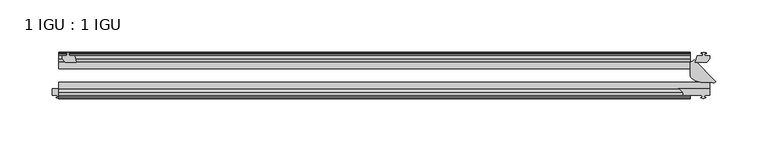
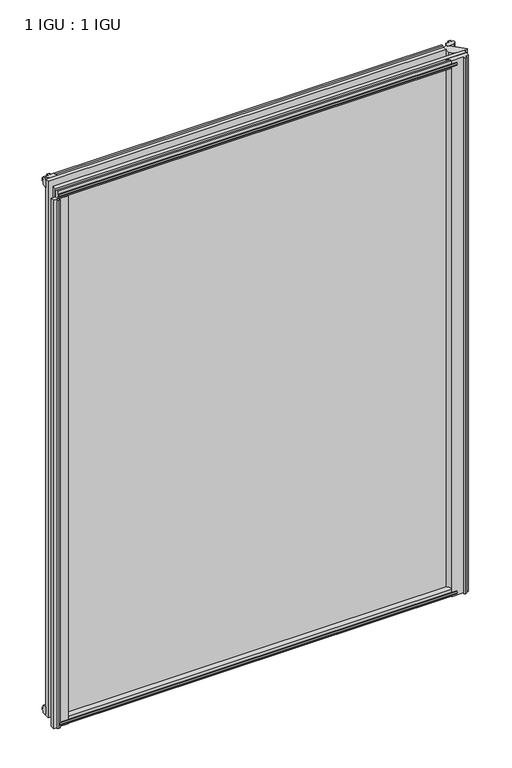
"""IFC4 building model written with IfcOpenShell, lengths in millimetres: plate geometry, 1 IGU : 1 IGU."""

import ifcopenshell
import ifcopenshell.guid

model = None  # the IFC model being written
_history = None  # IfcOwnerHistory: only IFC2X3 demands one
_inside = {}  # id of a spatial element -> (the spatial element, [elements in it])
_under = {}  # id of a project, library or spatial element -> (it, [spatial elements below it])
_declared = {}  # id of a project -> (the project, [libraries it declares])
_typed = {}  # id of a type object -> (the type object, [elements of that type])
_made_of = {}  # id of a material, layer set ... -> (it, [elements and type objects made of it])


def new_model(schema):
    """Start an empty IFC model of exactly this schema.

    Asked for "IFC4X3", IfcOpenShell would pick the latest addendum, in which some entities
    have other attributes; the version numbers below select the first issue.
    IFC2X3 requires an IfcOwnerHistory on every rooted entity: one is made here for all.
    """
    global model, _history
    if schema == "IFC4X3":
        model = ifcopenshell.file(schema_version=(4, 3, 0, 0))
    else:
        model = ifcopenshell.file(schema=schema)
    _inside.clear()
    _under.clear()
    _declared.clear()
    _typed.clear()
    _made_of.clear()
    _history = None
    if model.schema == "IFC2X3":
        org = make("IfcOrganization", Name="unknown")
        user = make(
            "IfcPersonAndOrganization",
            ThePerson=make("IfcPerson", FamilyName="unknown"),
            TheOrganization=org,
        )
        app = make(
            "IfcApplication",
            ApplicationDeveloper=org,
            Version="unknown",
            ApplicationFullName="unknown",
            ApplicationIdentifier="unknown",
        )
        _history = make(
            "IfcOwnerHistory",
            OwningUser=user,
            OwningApplication=app,
            ChangeAction="ADDED",
            CreationDate=0,
        )
    return model


def make(cls, **values):
    """One entity of the class cls with the attributes given. An attribute that is None is left unset."""
    return model.create_entity(
        cls, **{name: value for name, value in values.items() if value is not None}
    )


def rooted(cls, **values):
    """An entity with a GlobalId (a new one), such as an element, a storey or a relation."""
    return make(cls, GlobalId=ifcopenshell.guid.new(), OwnerHistory=_history, **values)


def si_unit(unit_type, name, prefix=None):
    """IfcSIUnit, for example si_unit("LENGTHUNIT", "METRE", prefix="MILLI")."""
    return make("IfcSIUnit", UnitType=unit_type, Prefix=prefix, Name=name)


def assignment(units):
    """IfcUnitAssignment: the units of a project."""
    return None if units is None else make("IfcUnitAssignment", Units=units)


def point(xyz):
    """IfcCartesianPoint."""
    return None if xyz is None else make("IfcCartesianPoint", Coordinates=xyz)


def direction(xyz):
    """IfcDirection."""
    return None if xyz is None else make("IfcDirection", DirectionRatios=xyz)


def frame(location, z_axis=None, x_axis=None):
    """IfcAxis2Placement3D, a coordinate frame: its origin and axes. An axis left out is left unset."""
    return make(
        "IfcAxis2Placement3D",
        Location=point(location),
        Axis=direction(z_axis),
        RefDirection=direction(x_axis),
    )


def frame_2d(location, x_axis=None):
    """IfcAxis2Placement2D, a coordinate frame in the plane: its origin and x axis."""
    return make(
        "IfcAxis2Placement2D", Location=point(location), RefDirection=direction(x_axis)
    )


def origin():
    """The frame at (0, 0, 0) with its axes left unset."""
    return frame((0.0, 0.0, 0.0))


def place(relative_to, where):
    """IfcLocalPlacement: puts the frame where relative to a parent placement (None: the world)."""
    return make(
        "IfcLocalPlacement", PlacementRelTo=relative_to, RelativePlacement=where
    )


def context(
    kind, dimensions, precision=None, world=None, true_north=None, identifier=None
):
    """IfcGeometricRepresentationContext, for example the 3D "Model" context."""
    return make(
        "IfcGeometricRepresentationContext",
        ContextIdentifier=identifier,
        ContextType=kind,
        CoordinateSpaceDimension=dimensions,
        Precision=precision,
        WorldCoordinateSystem=world,
        TrueNorth=true_north,
    )


def project(units=None, contexts=None):
    """IfcProject with its units and contexts."""
    return rooted(
        "IfcProject",
        Name="project",
        RepresentationContexts=contexts,
        UnitsInContext=assignment(units),
    )


def spatial(cls, under=None, at=None, **own):
    """A site, building, storey or space (cls), placed at a placement, below another one or the project."""
    s = rooted(cls, ObjectPlacement=at, **own)
    if under is not None:
        _under.setdefault(under.id(), (under, []))[1].append(s)
    return s


def polyline(points):
    """IfcPolyline through the points."""
    return make("IfcPolyline", Points=[point(p) for p in points])


def circle_curve(where, radius):
    """IfcCircle in the frame where."""
    return make("IfcCircle", Position=where, Radius=radius)


def trimmed(basis, trim1, trim2, sense, master):
    """IfcTrimmedCurve: the piece of a basis curve between two trims."""
    return make(
        "IfcTrimmedCurve",
        BasisCurve=basis,
        Trim1=trim1,
        Trim2=trim2,
        SenseAgreement=sense,
        MasterRepresentation=master,
    )


def segment(curve, same_sense, transition):
    """IfcCompositeCurveSegment."""
    return make(
        "IfcCompositeCurveSegment",
        Transition=transition,
        SameSense=same_sense,
        ParentCurve=curve,
    )


def composite_curve(segments, self_intersect=None):
    """IfcCompositeCurve: segments joined end to end."""
    return make("IfcCompositeCurve", Segments=segments, SelfIntersect=self_intersect)


def outline(outer, holes=None, kind="AREA"):
    """IfcArbitraryClosedProfileDef: a profile drawn as a closed curve; with holes, ...WithVoids."""
    if holes is None:
        return make("IfcArbitraryClosedProfileDef", ProfileType=kind, OuterCurve=outer)
    return make(
        "IfcArbitraryProfileDefWithVoids",
        ProfileType=kind,
        OuterCurve=outer,
        InnerCurves=holes,
    )


def extrude(swept, where, along, depth):
    """IfcExtrudedAreaSolid: the profile swept, set in the frame where, extruded along a direction by depth."""
    return make(
        "IfcExtrudedAreaSolid",
        SweptArea=swept,
        Position=where,
        ExtrudedDirection=direction(along),
        Depth=depth,
    )


def shape(context_of_items, identifier, shape_type, items):
    """IfcShapeRepresentation: the items that make up one representation, for example the "Body"."""
    return make(
        "IfcShapeRepresentation",
        ContextOfItems=context_of_items,
        RepresentationIdentifier=identifier,
        RepresentationType=shape_type,
        Items=items,
    )


def source(mapping_origin, context_of_items, identifier, shape_type, items):
    """IfcRepresentationMap: a shape defined once, which mapped items show again and again."""
    return make(
        "IfcRepresentationMap",
        MappingOrigin=mapping_origin,
        MappedRepresentation=shape(context_of_items, identifier, shape_type, items),
    )


def transform(
    local_origin,
    x_axis=None,
    y_axis=None,
    z_axis=None,
    scale=None,
    scale2=None,
    scale3=None,
    uniform=True,
):
    """IfcCartesianTransformationOperator3D, or its non-uniform kind. x_axis, y_axis, z_axis: its Axis1, 2, 3."""
    if uniform:
        return make(
            "IfcCartesianTransformationOperator3D",
            Axis1=direction(x_axis),
            Axis2=direction(y_axis),
            LocalOrigin=point(local_origin),
            Scale=scale,
            Axis3=direction(z_axis),
        )
    return make(
        "IfcCartesianTransformationOperator3DnonUniform",
        Axis1=direction(x_axis),
        Axis2=direction(y_axis),
        LocalOrigin=point(local_origin),
        Scale=scale,
        Axis3=direction(z_axis),
        Scale2=scale2,
        Scale3=scale3,
    )


def mapped(mapping_source, mapping_target):
    """IfcMappedItem: shows the shape of a source again, moved by a transform."""
    return make(
        "IfcMappedItem", MappingSource=mapping_source, MappingTarget=mapping_target
    )


def made_of(thing, what):
    """Note that an element or type object is made of a material, layer set ...; save() writes the relation."""
    if what is not None:
        _made_of.setdefault(what.id(), (what, []))[1].append(thing)
    return thing


def element(
    cls,
    number,
    at=None,
    inside=None,
    cuts=None,
    type_object=None,
    material=None,
    context=None,
    identifier="Body",
    shape_type=None,
    held_by="IfcProductDefinitionShape",
    body=None,
    shapes=None,
    **own,
):
    """One element of the class cls, such as IfcWall. Its Tag is "e" and its number.

    at: its placement. inside: the storey or other place that contains it. cuts: it is an
    opening in that element (IfcRelVoidsElement). A single representation is given by context,
    identifier, shape_type and body (its items); several are given by shapes. held_by: the class
    of the entity that holds the representations. save() writes the other relations.
    """
    e = rooted(cls, Tag="e%d" % number, ObjectPlacement=at, **own)
    if body is not None:
        shapes = [shape(context, identifier, shape_type, body)]
    if shapes is not None:
        e.Representation = make(held_by, Representations=shapes)
    if inside is not None:
        _inside.setdefault(inside.id(), (inside, []))[1].append(e)
    if cuts is not None:
        rooted(
            "IfcRelVoidsElement", RelatingBuildingElement=cuts, RelatedOpeningElement=e
        )
    if type_object is not None:
        _typed.setdefault(type_object.id(), (type_object, []))[1].append(e)
    return made_of(e, material)


def aggregate(whole, parts):
    """IfcRelAggregates: a whole, such as a stair, and the parts it consists of."""
    return rooted("IfcRelAggregates", RelatingObject=whole, RelatedObjects=parts)


def save(model, path):
    """Write the relations noted so far, then the file.

    IfcRelAggregates (storeys below a building ...), IfcRelContainedInSpatialStructure (elements
    in a storey), IfcRelDefinesByType, IfcRelAssociatesMaterial and IfcRelDeclares: one each for
    every whole, place, type object, material and project.
    """
    for whole, parts in _under.values():
        aggregate(whole, parts)
    for where, things in _inside.values():
        rooted(
            "IfcRelContainedInSpatialStructure",
            RelatedElements=things,
            RelatingStructure=where,
        )
    for kind, things in _typed.values():
        rooted("IfcRelDefinesByType", RelatedObjects=things, RelatingType=kind)
    for what, things in _made_of.values():
        rooted("IfcRelAssociatesMaterial", RelatedObjects=things, RelatingMaterial=what)
    for by, libraries in _declared.values():
        rooted("IfcRelDeclares", RelatingContext=by, RelatedDefinitions=libraries)
    model.write(path)


def plane_surface(at):
    """IfcPlane: the flat surface through the origin of the frame at, square to its z axis."""
    return make("IfcPlane", Position=at)


def cylinder_surface(at, radius):
    """IfcCylindricalSurface: all points at the distance radius from the z axis of the frame at."""
    return make("IfcCylindricalSurface", Position=at, Radius=radius)


def revolved_surface(curve, axis_point, axis_direction):
    """IfcSurfaceOfRevolution: the curve turned about the line through axis_point along axis_direction."""
    return make(
        "IfcSurfaceOfRevolution",
        SweptCurve=make("IfcArbitraryOpenProfileDef", ProfileType="CURVE", Curve=curve),
        AxisPosition=make("IfcAxis1Placement", Location=point(axis_point), Axis=direction(axis_direction)),
    )


def extruded_surface(curve, direction_of_extrusion, depth):
    """IfcSurfaceOfLinearExtrusion: the curve pushed along a direction by depth."""
    return make(
        "IfcSurfaceOfLinearExtrusion",
        SweptCurve=make("IfcArbitraryOpenProfileDef", ProfileType="CURVE", Curve=curve),
        ExtrudedDirection=direction(direction_of_extrusion),
        Depth=depth,
    )


def spline_curve(degree, points, multiplicities, knots, weights=None):
    """IfcBSplineCurveWithKnots; with weights, IfcRationalBSplineCurveWithKnots."""
    own = dict(
        Degree=degree,
        ControlPointsList=[point(p) for p in points],
        CurveForm="UNSPECIFIED",
        ClosedCurve=False,
        SelfIntersect=False,
        KnotMultiplicities=multiplicities,
        Knots=knots,
        KnotSpec="UNSPECIFIED",
    )
    if weights is None:
        return make("IfcBSplineCurveWithKnots", **own)
    return make("IfcRationalBSplineCurveWithKnots", WeightsData=weights, **own)


def advanced_brep(points, edges, surfaces, faces):
    """IfcAdvancedBrep: a solid bounded by faces that lie on surfaces and meet in shared edges.

    An edge is (start, end): straight between two places in points (the first is 0);
    or (start, end, curve); or (start, end, curve, False) where it runs against its curve.
    A face is (place in surfaces, loops), or (place, loops, False) where it looks against
    its surface's normal. A loop lists edges by number (the first is 1), with a minus sign
    where the edge is run from its end to its start. The first loop is the outer one.
    """
    corners = [point(p) for p in points]
    vertices = [make("IfcVertexPoint", VertexGeometry=c) for c in corners]
    made = []
    for start, end, *more in edges:
        made.append(
            make(
                "IfcEdgeCurve",
                EdgeStart=vertices[start],
                EdgeEnd=vertices[end],
                EdgeGeometry=more[0] if more else make("IfcPolyline", Points=[corners[start], corners[end]]),
                SameSense=more[1] if len(more) > 1 else True,
            )
        )
    hull = []
    for where, loops, *sense in faces:
        bounds = []
        for j, loop in enumerate(loops):
            ring = [make("IfcOrientedEdge", EdgeElement=made[abs(k) - 1], Orientation=k > 0) for k in loop]
            bounds.append(
                make(
                    "IfcFaceOuterBound" if j == 0 else "IfcFaceBound",
                    Bound=make("IfcEdgeLoop", EdgeList=ring),
                    Orientation=True,
                )
            )
        hull.append(make("IfcAdvancedFace", Bounds=bounds, FaceSurface=surfaces[where], SameSense=sense[0] if sense else True))
    return make("IfcAdvancedBrep", Outer=make("IfcClosedShell", CfsFaces=hull))


def plate_1_igu_1_igu_67bb04a6(model_context):
    return source(origin(), model_context, "Body", "SolidModel", [
        extrude(outline(polyline([(313.1654553, -10.4746158), (315.3429844, -9.7670938), (317.5205134, -10.4746158), (317.5205134, -11.27583), (316.1049844, -10.8158968), (316.4859844, -13.1960938), (320.9309844, -13.1960938), (320.9309844, -16.1424938), (318.0966422, -19.5460938), (307.2752663, -19.5460938), (308.9929844, -13.1960938), (314.1999844, -13.1960938), (314.5809844, -10.8158968), (313.1654553, -11.27583), (313.1654553, -10.4746158)])), frame((0.0, 0.0, -12.4587), z_axis=(0.0, 0.0, 1.0), x_axis=(1.0, 0.0, 0.0)), (0.0, 0.0, 1.0), 863.1174),
        extrude(outline(polyline([(-295.7968906, -9.7670937), (-293.6193616, -10.4746158), (-293.6193616, -11.27583), (-295.0348906, -10.8158968), (-294.6538906, -13.1960937), (-289.4468906, -13.1960937), (-287.7291725, -19.5460937), (-298.5505485, -19.5460937), (-301.3848906, -16.1424937), (-301.3848906, -13.1960937), (-296.9398906, -13.1960937), (-296.5588906, -10.8158968), (-297.9744197, -11.27583), (-297.9744197, -10.4746158), (-295.7968906, -9.7670937)])), frame((0.0, 0.0, -12.4587), z_axis=(0.0, 0.0, 1.0), x_axis=(1.0, 0.0, 0.0)), (0.0, 0.0, 1.0), 863.1174),
        advanced_brep(
        [(302.2098191, -32.4235409, -12.4587), (302.2098191, -19.5460938, -12.4587), (306.3603258, -17.4341351, -12.4587), (327.0893858, -38.1631952, -12.4587), (324.2055073, -39.1534565, -12.4587), (321.2598191, -38.9186738, -12.4587), (312.4327657, -38.9186738, -12.4587), (302.2098191, -19.5460938, 850.6587), (302.2098191, -32.4235409, 850.6587), (312.4327657, -38.9186738, 850.6587), (321.2598191, -38.9186738, 850.6587), (324.2055073, -39.1534565, 850.6587), (327.0893858, -38.1631952, 850.6587), (306.3603258, -17.4341351, 850.6587)],
        [
            (0, 1),
            (1, 2, circle_curve(frame((301.0410804, -12.1148898, -12.4587), z_axis=(0.0, 0.0, 1.0), x_axis=(1.0, 0.0, 0.0)), 7.522549)),
            (2, 3),
            (3, 4, circle_curve(frame((324.6344618, -35.7082712, -12.4587), z_axis=(0.0, 0.0, -1.0), x_axis=(1.0, 0.0, 0.0)), 3.4717869)),
            (4, 5, circle_curve(frame((322.2411402, -45.2029297, -12.4587), z_axis=(0.0, 0.0, 1.0), x_axis=(1.0, 0.0, 0.0)), 6.3604139)),
            (5, 6),
            (6, 0, spline_curve(3, [(312.4327657, -38.9186738, -12.4587), (311.809740957, -38.761397276, -12.4587), (311.196115338, -38.593572819, -12.4587), (310.283543481, -38.33300809, -12.4587), (309.98066394, -38.244681767, -12.4587), (309.53003538, -38.108050567, -12.4587), (309.380440983, -38.061816567, -12.4587), (309.083829617, -37.966456033, -12.4587), (308.936812673, -37.917329535, -12.4587), (308.644762727, -37.816850065, -12.4587), (308.499729715, -37.765497092, -12.4587), (308.211171685, -37.661098908, -12.4587), (308.067646686, -37.608053732, -12.4587), (307.783099514, -37.499154468, -12.4587), (307.642077426, -37.443300373, -12.4587), (307.363540174, -37.327656627, -12.4587), (307.22602497, -37.267866907, -12.4587), (306.95399843, -37.144916693, -12.4587), (306.819487069, -37.08175619, -12.4587), (306.552974331, -36.95261821, -12.4587), (306.420973005, -36.886640761, -12.4587), (306.160455595, -36.750774839, -12.4587), (306.031939475, -36.680886361, -12.4587), (305.779493525, -36.535961839, -12.4587), (305.655563686, -36.460925826, -12.4587), (305.289346829, -36.229568448, -12.4587), (305.052632562, -36.066997955, -12.4587), (304.710214269, -35.808915823, -12.4587), (304.598183671, -35.720517294, -12.4587), (304.379703929, -35.537504106, -12.4587), (304.273254796, -35.442889374, -12.4587), (304.065369004, -35.247854426, -12.4587), (303.963932414, -35.147434212, -12.4587), (303.765504186, -34.941441188, -12.4587), (303.668512568, -34.835868404, -12.4587), (303.386197964, -34.509849393, -12.4587), (303.209535148, -34.280102712, -12.4587), (302.717605205, -33.551170176, -12.4587), (302.440396533, -33.012291938, -12.4587), (302.2098191, -32.4235409, -12.4587)], [4, 2, 2, 2, 2, 2, 2, 2, 2, 2, 2, 2, 2, 2, 2, 2, 2, 2, 2, 4], [0.0, 0.14285714285714285, 0.21428571428571427, 0.25, 0.2857142857142857, 0.3214285714285714, 0.3571428571428571, 0.3928571428571428, 0.42857142857142855, 0.4642857142857143, 0.5, 0.5357142857142857, 0.5714285714285714, 0.6428571428571428, 0.6785714285714285, 0.7142857142857142, 0.7499999999999999, 0.7857142857142856, 0.8571428571428571, 1.0])),
            (7, 8),
            (8, 9, spline_curve(3, [(302.2098191, -32.4235409, 850.6587), (302.440396533, -33.012291938, 850.6587), (302.717605205, -33.551170176, 850.6587), (303.209535148, -34.280102712, 850.6587), (303.386197964, -34.509849393, 850.6587), (303.668512568, -34.835868404, 850.6587), (303.765504186, -34.941441188, 850.6587), (303.963932414, -35.147434212, 850.6587), (304.065369004, -35.247854426, 850.6587), (304.273254796, -35.442889374, 850.6587), (304.379703929, -35.537504106, 850.6587), (304.598183671, -35.720517294, 850.6587), (304.710214269, -35.808915823, 850.6587), (305.052632562, -36.066997955, 850.6587), (305.289346829, -36.229568448, 850.6587), (305.655563686, -36.460925826, 850.6587), (305.779493525, -36.535961839, 850.6587), (306.031939475, -36.680886361, 850.6587), (306.160455595, -36.750774839, 850.6587), (306.420973005, -36.886640761, 850.6587), (306.552974331, -36.95261821, 850.6587), (306.819487069, -37.08175619, 850.6587), (306.95399843, -37.144916693, 850.6587), (307.22602497, -37.267866907, 850.6587), (307.363540174, -37.327656627, 850.6587), (307.642077426, -37.443300373, 850.6587), (307.783099514, -37.499154468, 850.6587), (308.067646686, -37.608053732, 850.6587), (308.211171685, -37.661098908, 850.6587), (308.499729715, -37.765497092, 850.6587), (308.644762727, -37.816850065, 850.6587), (308.936812673, -37.917329535, 850.6587), (309.083829617, -37.966456033, 850.6587), (309.380440983, -38.061816567, 850.6587), (309.53003538, -38.108050567, 850.6587), (309.98066394, -38.244681767, 850.6587), (310.283543481, -38.33300809, 850.6587), (311.196115338, -38.593572819, 850.6587), (311.809740957, -38.761397276, 850.6587), (312.4327657, -38.9186738, 850.6587)], [4, 2, 2, 2, 2, 2, 2, 2, 2, 2, 2, 2, 2, 2, 2, 2, 2, 2, 2, 4], [0.0, 0.1428571428571429, 0.2142857142857144, 0.2500000000000001, 0.2857142857142858, 0.3214285714285715, 0.3571428571428572, 0.4285714285714286, 0.4642857142857143, 0.5, 0.5357142857142857, 0.5714285714285714, 0.6071428571428572, 0.6428571428571429, 0.6785714285714286, 0.7142857142857143, 0.75, 0.7857142857142857, 0.8571428571428572, 1.0])),
            (9, 10),
            (10, 11, circle_curve(frame((322.2411402, -45.2029297, 850.6587), z_axis=(0.0, 0.0, -1.0), x_axis=(1.0, 0.0, 0.0)), 6.3604139)),
            (11, 12, circle_curve(frame((324.6344618, -35.7082712, 850.6587), z_axis=(0.0, 0.0, 1.0), x_axis=(1.0, 0.0, 0.0)), 3.4717869)),
            (12, 13),
            (13, 7, circle_curve(frame((301.0410804, -12.1148898, 850.6587), z_axis=(0.0, 0.0, -1.0), x_axis=(1.0, 0.0, 0.0)), 7.522549)),
            (1, 7),
            (13, 2),
            (12, 3),
            (11, 4),
            (10, 5),
            (9, 6),
            (8, 0),
        ],
        [
            plane_surface(frame((333.8722844, -13.1960938, -12.4587), z_axis=(0.0, 0.0, -1.0), x_axis=(0.0, 1.0, 0.0))),
            plane_surface(frame((333.8722844, -13.1960938, 850.6587), z_axis=(0.0, 0.0, 1.0), x_axis=(0.0, 1.0, 0.0))),
            revolved_surface(polyline([(308.5636294, -12.1148898, 850.6587), (308.5636294, -12.1148898, -12.4587)]), (301.0410804, -12.1148898, -12.4587), (0.0, 0.0, 1.0)),
            plane_surface(frame((306.3603258, -17.4341351, -12.4587), z_axis=(0.7071067811865649, 0.7071067811865301, 0.0), x_axis=(0.0, 0.0, 1.0))),
            cylinder_surface(frame((324.6344618, -35.7082712, -12.4587), z_axis=(0.0, 0.0, -1.0), x_axis=(1.0, 0.0, 0.0)), 3.4717869),
            revolved_surface(polyline([(328.60155410000004, -45.2029297, 850.6587), (328.60155410000004, -45.2029297, -12.4587)]), (322.2411402, -45.2029297, -12.4587), (0.0, 0.0, 1.0)),
            plane_surface(frame((321.2598191, -38.9186738, -12.4587), z_axis=(0.0, -1.0, 0.0), x_axis=(0.0, 0.0, 1.0))),
            extruded_surface(spline_curve(3, [(312.4327657, -38.9186738, 850.6587), (311.809740957, -38.761397276, 850.6587), (311.196115338, -38.593572819, 850.6587), (310.283543481, -38.33300809, 850.6587), (309.98066394, -38.244681767, 850.6587), (309.53003538, -38.108050567, 850.6587), (309.380440983, -38.061816567, 850.6587), (309.083829617, -37.966456033, 850.6587), (308.936812673, -37.917329535, 850.6587), (308.644762727, -37.816850065, 850.6587), (308.499729715, -37.765497092, 850.6587), (308.211171685, -37.661098908, 850.6587), (308.067646686, -37.608053732, 850.6587), (307.783099514, -37.499154468, 850.6587), (307.642077426, -37.443300373, 850.6587), (307.363540174, -37.327656627, 850.6587), (307.22602497, -37.267866907, 850.6587), (306.95399843, -37.144916693, 850.6587), (306.819487069, -37.08175619, 850.6587), (306.552974331, -36.95261821, 850.6587), (306.420973005, -36.886640761, 850.6587), (306.160455595, -36.750774839, 850.6587), (306.031939475, -36.680886361, 850.6587), (305.779493525, -36.535961839, 850.6587), (305.655563686, -36.460925826, 850.6587), (305.289346829, -36.229568448, 850.6587), (305.052632562, -36.066997955, 850.6587), (304.710214269, -35.808915823, 850.6587), (304.598183671, -35.720517294, 850.6587), (304.379703929, -35.537504106, 850.6587), (304.273254796, -35.442889374, 850.6587), (304.065369004, -35.247854426, 850.6587), (303.963932414, -35.147434212, 850.6587), (303.765504186, -34.941441188, 850.6587), (303.668512568, -34.835868404, 850.6587), (303.386197964, -34.509849393, 850.6587), (303.209535148, -34.280102712, 850.6587), (302.717605205, -33.551170176, 850.6587), (302.440396533, -33.012291938, 850.6587), (302.2098191, -32.4235409, 850.6587)], [4, 2, 2, 2, 2, 2, 2, 2, 2, 2, 2, 2, 2, 2, 2, 2, 2, 2, 2, 4], [0.0, 0.14285714285714285, 0.21428571428571427, 0.25, 0.2857142857142857, 0.3214285714285714, 0.3571428571428571, 0.3928571428571428, 0.42857142857142855, 0.4642857142857143, 0.5, 0.5357142857142857, 0.5714285714285714, 0.6428571428571428, 0.6785714285714285, 0.7142857142857142, 0.7499999999999999, 0.7857142857142856, 0.8571428571428571, 1.0]), (0.0, 0.0, -863.1174), 863.1174),
            plane_surface(frame((302.2098191, -26.0577923, -12.4587), z_axis=(-1.0, 0.0, 0.0), x_axis=(0.0, 0.0, 1.0))),
        ],
        [
            (0, [[1, 2, 3, 4, 5, 6, 7]]),
            (1, [[8, 9, 10, 11, 12, 13, 14]]),
            (2, [[-2, 15, -14, 16]]),
            (3, [[-3, -16, -13, 17]]),
            (4, [[-4, -17, -12, 18]]),
            (5, [[-5, -18, -11, 19]]),
            (6, [[-6, -19, -10, 20]]),
            (7, [[-7, -20, -9, 21]]),
            (8, [[-21, -8, -15, -1]]),
        ],
    ),
        advanced_brep(
        [(291.0346055, -44.9460938, -12.4587), (321.2598191, -44.9460938, -12.4587), (321.2598191, -51.2960938, -12.4587), (316.1798191, -51.2960938, -12.4587), (315.8623191, -53.4006957, -12.4587), (317.080925, -53.0741712, -12.4587), (317.2847191, -53.8347412, -12.4587), (314.9098191, -54.4710938, -12.4587), (312.5349191, -53.8347412, -12.4587), (312.7387133, -53.0741712, -12.4587), (313.9629897, -53.4022151, -12.4587), (313.6258612, -51.2960938, -12.4587), (295.8562303, -51.2960938, -12.4587), (291.0346055, -44.9460938, 850.6587), (295.8562303, -51.2960938, 850.6587), (313.6258612, -51.2960938, 850.6587), (313.9629897, -53.4022151, 850.6587), (312.7387133, -53.0741712, 850.6587), (312.5349191, -53.8347412, 850.6587), (314.9098191, -54.4710938, 850.6587), (317.2847191, -53.8347412, 850.6587), (317.080925, -53.0741712, 850.6587), (315.8623191, -53.4006957, 850.6587), (316.1798191, -51.2960938, 850.6587), (321.2598191, -51.2960938, 850.6587), (321.2598191, -44.9460938, 850.6587)],
        [
            (0, 1),
            (1, 2),
            (2, 3),
            (3, 4),
            (4, 5),
            (5, 6),
            (6, 7),
            (7, 8),
            (8, 9),
            (9, 10),
            (10, 11),
            (11, 12),
            (12, 0, circle_curve(frame((287.5993354, -52.5600884, -12.4587), z_axis=(0.0, 0.0, 1.0), x_axis=(1.0, 0.0, 0.0)), 8.353083)),
            (13, 14, circle_curve(frame((287.5993354, -52.5600884, 850.6587), z_axis=(0.0, 0.0, -1.0), x_axis=(1.0, 0.0, 0.0)), 8.353083)),
            (14, 15),
            (15, 16),
            (16, 17),
            (17, 18),
            (18, 19),
            (19, 20),
            (20, 21),
            (21, 22),
            (22, 23),
            (23, 24),
            (24, 25),
            (25, 13),
            (0, 13),
            (25, 1),
            (24, 2),
            (23, 3),
            (22, 4),
            (21, 5),
            (20, 6),
            (19, 7),
            (18, 8),
            (17, 9),
            (16, 10),
            (15, 11),
            (14, 12),
        ],
        [
            plane_surface(frame((333.8722844, -13.1960938, -12.4587), z_axis=(0.0, 0.0, -1.0), x_axis=(0.0, 1.0, 0.0))),
            plane_surface(frame((333.8722844, -13.1960938, 850.6587), z_axis=(0.0, 0.0, 1.0), x_axis=(0.0, 1.0, 0.0))),
            plane_surface(frame((291.0346055, -44.9460938, -12.4587), z_axis=(0.0, 1.0, 0.0), x_axis=(0.0, 0.0, 1.0))),
            plane_surface(frame((321.2598191, -44.9460938, -12.4587), z_axis=(1.0, 0.0, 0.0), x_axis=(0.0, 0.0, 1.0))),
            plane_surface(frame((321.2598191, -51.2960938, -12.4587), z_axis=(0.0, -1.0, 0.0), x_axis=(0.0, 0.0, 1.0))),
            plane_surface(frame((316.1798191, -51.2960938, -12.4587), z_axis=(0.9888112705101836, -0.1491719521627195, 0.0), x_axis=(0.0, 0.0, 1.0))),
            plane_surface(frame((315.8623191, -53.4006957, -12.4587), z_axis=(-0.25881904510250375, 0.9659258262890729, 0.0), x_axis=(0.0, 0.0, 1.0))),
            plane_surface(frame((317.080925, -53.0741712, -12.4587), z_axis=(0.9659258262890739, 0.2588190451025002, 0.0), x_axis=(0.0, 0.0, 1.0))),
            plane_surface(frame((317.2847191, -53.8347412, -12.4587), z_axis=(0.2588190451025227, -0.9659258262890678, 0.0), x_axis=(0.0, 0.0, 1.0))),
            plane_surface(frame((314.9098191, -54.4710938, -12.4587), z_axis=(-0.25881904510253645, -0.9659258262890641, 0.0), x_axis=(0.0, 0.0, 1.0))),
            plane_surface(frame((312.5349191, -53.8347412, -12.4587), z_axis=(-0.9659258262890702, 0.25881904510251363, 0.0), x_axis=(0.0, 0.0, 1.0))),
            plane_surface(frame((312.7387133, -53.0741712, -12.4587), z_axis=(0.2588190451025192, 0.9659258262890688, 0.0), x_axis=(0.0, 0.0, 1.0))),
            plane_surface(frame((313.9629897, -53.4022151, -12.4587), z_axis=(-0.9874297253783597, -0.1580586518961148, 0.0), x_axis=(0.0, 0.0, 1.0))),
            plane_surface(frame((313.6258612, -51.2960938, -12.4587), z_axis=(0.0, -1.0, 0.0), x_axis=(0.0, 0.0, 1.0))),
            revolved_surface(polyline([(295.9524184, -52.5600884, 850.6587), (295.9524184, -52.5600884, -12.4587)]), (287.5993354, -52.5600884, -12.4587), (0.0, 0.0, 1.0)),
        ],
        [
            (0, [[1, 2, 3, 4, 5, 6, 7, 8, 9, 10, 11, 12, 13]]),
            (1, [[14, 15, 16, 17, 18, 19, 20, 21, 22, 23, 24, 25, 26]]),
            (2, [[-1, 27, -26, 28]]),
            (3, [[-2, -28, -25, 29]]),
            (4, [[-3, -29, -24, 30]]),
            (5, [[-4, -30, -23, 31]]),
            (6, [[-5, -31, -22, 32]]),
            (7, [[-6, -32, -21, 33]]),
            (8, [[-7, -33, -20, 34]]),
            (9, [[-8, -34, -19, 35]]),
            (10, [[-9, -35, -18, 36]]),
            (11, [[-10, -36, -17, 37]]),
            (12, [[-11, -37, -16, 38]]),
            (13, [[-12, -38, -15, 39]]),
            (14, [[-13, -39, -14, -27]]),
        ],
    ),
        extrude(outline(composite_curve([segment(polyline([(-311.1511906, -44.9460937), (-287.0629464, -44.9460937)]), True, "CONTINUOUS"), segment(trimmed(circle_curve(frame_2d((-280.1505628, -50.4227155)), 8.8189814), [point((-287.0629464, -44.9460937))], [point((-288.9261906, -51.2960937))], True, "CARTESIAN"), True, "CONTINUOUS"), segment(polyline([(-288.9261906, -51.2960937), (-303.5311906, -51.2960937), (-303.8486906, -53.4006957), (-302.6300847, -53.0741712), (-302.4262906, -53.8347412), (-304.8011906, -54.4710937), (-307.1760906, -53.8347412), (-306.9722965, -53.0741712), (-305.7536906, -53.4006957), (-306.0711906, -51.2960937), (-311.1511906, -51.2960937), (-311.1511906, -44.9460937)]), True, "CONTINUOUS")], self_intersect=False)), frame((0.0, 0.0, -12.4587), z_axis=(0.0, 0.0, 1.0), x_axis=(1.0, 0.0, 0.0)), (0.0, 0.0, 1.0), 850.4174),
        extrude(outline(polyline([(-10.4746158, -4.6931709), (-9.7670937, -6.8707), (-10.4746158, -9.0482291), (-11.27583, -9.0482291), (-10.8158968, -7.6327), (-13.1960937, -8.0137), (-13.1960937, -12.4587), (-16.1424937, -12.4587), (-19.5460937, -9.6243578), (-19.5460937, 1.1970181), (-13.1960937, -0.5207), (-13.1960937, -5.7277), (-10.8158968, -6.1087), (-11.27583, -4.6931709), (-10.4746158, -4.6931709)])), frame((-304.8011906, 0.0, 0.0), z_axis=(1.0, 0.0, 0.0), x_axis=(0.0, 1.0, 0.0)), (0.0, 0.0, 1.0), 607.0226937),
        extrude(outline(polyline([(-44.9460937, 1.7177181), (-44.9460937, -9.1036578), (-48.3496937, -11.938), (-51.2960937, -11.938), (-51.2960937, -7.493), (-53.6762907, -7.112), (-53.2163575, -8.5275291), (-54.0175717, -8.5275291), (-54.7250937, -6.35), (-54.0175717, -4.1724709), (-53.2163575, -4.1724709), (-53.6762907, -5.588), (-51.2960937, -5.207), (-51.2960937, 0.0), (-44.9460937, 1.7177181)])), frame((-304.8011906, 0.0, 0.0), z_axis=(1.0, 0.0, 0.0), x_axis=(0.0, 1.0, 0.0)), (0.0, 0.0, 1.0), 607.0226937),
        extrude(outline(polyline([(-10.8158968, 845.8327), (-11.27583, 847.2482291), (-10.4746158, 847.2482291), (-9.7670937, 845.0707), (-10.4746158, 842.8931709), (-11.27583, 842.8931709), (-10.8158968, 844.3087), (-13.1960937, 843.9277), (-13.1960937, 838.7207), (-19.5460938, 837.0029819), (-19.5460938, 847.8243578), (-16.1424937, 850.6587), (-13.1960937, 850.6587), (-13.1960937, 846.2137), (-10.8158968, 845.8327)])), frame((-304.8011906, 0.0, 0.0), z_axis=(1.0, 0.0, 0.0), x_axis=(0.0, 1.0, 0.0)), (0.0, 0.0, 1.0), 607.0226937),
        extrude(outline(polyline([(-51.2960937, 850.138), (-48.3496937, 850.138), (-44.9460938, 847.3036578), (-44.9460938, 836.4822819), (-51.2960937, 838.2), (-51.2960937, 843.407), (-53.6762907, 843.788), (-53.2163575, 842.3724709), (-54.0175717, 842.3724709), (-54.7250937, 844.55), (-54.0175717, 846.7275291), (-53.2163575, 846.7275291), (-53.6762907, 845.312), (-51.2960937, 845.693), (-51.2960937, 850.138)])), frame((-304.8011906, 0.0, 0.0), z_axis=(1.0, 0.0, 0.0), x_axis=(0.0, 1.0, 0.0)), (0.0, 0.0, 1.0), 607.0226937),
        extrude(outline(polyline([(-304.8011906, -38.9186738), (321.2715031, -38.9186738), (321.2715031, -44.9460937), (-304.8011906, -44.9460937), (-304.8011906, -38.9186738)])), frame((0.0, 0.0, -12.7), z_axis=(0.0, 0.0, 1.0), x_axis=(1.0, 0.0, 0.0)), (0.0, 0.0, 1.0), 863.6),
        extrude(outline(polyline([(-304.8011906, -19.5460937), (302.2215031, -19.5460937), (302.2215031, -25.8960938), (-304.8011906, -25.8960938), (-304.8011906, -19.5460937)])), frame((0.0, 0.0, -12.7), z_axis=(0.0, 0.0, 1.0), x_axis=(1.0, 0.0, 0.0)), (0.0, 0.0, 1.0), 863.6),
    ])


if __name__ == "__main__":
    model = new_model("IFC4")
    model_context = context("Model", 3, world=origin())
    ifc_project = project(units=[si_unit("LENGTHUNIT", "METRE", prefix="MILLI")], contexts=[model_context])
    site = spatial("IfcSite", under=ifc_project)
    building = spatial("IfcBuilding", under=site)
    placement = place(None, origin())
    plate_1_igu_1_igu_shape = plate_1_igu_1_igu_67bb04a6(model_context)
    element("IfcPlate", 1, ObjectType="1 IGU : 1 IGU", at=placement, inside=building, context=model_context, shape_type="MappedRepresentation", body=[
        mapped(plate_1_igu_1_igu_shape, transform((0.0, 0.0, 0.0), x_axis=(1.0, 0.0, 0.0), y_axis=(0.0, 1.0, 0.0), z_axis=(0.0, 0.0, 1.0))),
    ])
    save(model, "model.ifc")
